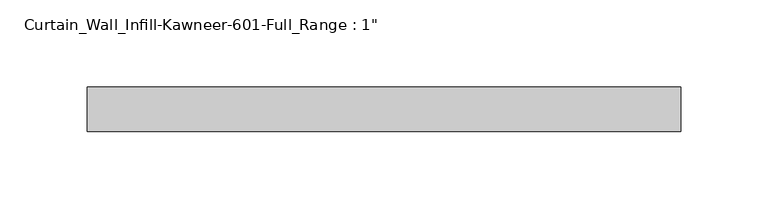
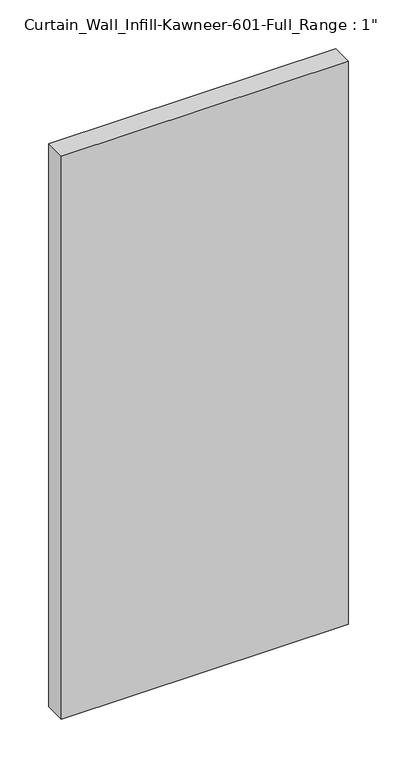
"""IFC4 building model written with IfcOpenShell, lengths in millimetres: plate geometry."""

import ifcopenshell
import ifcopenshell.guid

model = None  # the IFC model being written
_history = None  # IfcOwnerHistory: only IFC2X3 demands one
_inside = {}  # id of a spatial element -> (the spatial element, [elements in it])
_under = {}  # id of a project, library or spatial element -> (it, [spatial elements below it])
_declared = {}  # id of a project -> (the project, [libraries it declares])
_typed = {}  # id of a type object -> (the type object, [elements of that type])
_made_of = {}  # id of a material, layer set ... -> (it, [elements and type objects made of it])


def new_model(schema):
    """Start an empty IFC model of exactly this schema.

    Asked for "IFC4X3", IfcOpenShell would pick the latest addendum, in which some entities
    have other attributes; the version numbers below select the first issue.
    IFC2X3 requires an IfcOwnerHistory on every rooted entity: one is made here for all.
    """
    global model, _history
    if schema == "IFC4X3":
        model = ifcopenshell.file(schema_version=(4, 3, 0, 0))
    else:
        model = ifcopenshell.file(schema=schema)
    _inside.clear()
    _under.clear()
    _declared.clear()
    _typed.clear()
    _made_of.clear()
    _history = None
    if model.schema == "IFC2X3":
        org = make("IfcOrganization", Name="unknown")
        user = make(
            "IfcPersonAndOrganization",
            ThePerson=make("IfcPerson", FamilyName="unknown"),
            TheOrganization=org,
        )
        app = make(
            "IfcApplication",
            ApplicationDeveloper=org,
            Version="unknown",
            ApplicationFullName="unknown",
            ApplicationIdentifier="unknown",
        )
        _history = make(
            "IfcOwnerHistory",
            OwningUser=user,
            OwningApplication=app,
            ChangeAction="ADDED",
            CreationDate=0,
        )
    return model


def make(cls, **values):
    """One entity of the class cls with the attributes given. An attribute that is None is left unset."""
    return model.create_entity(
        cls, **{name: value for name, value in values.items() if value is not None}
    )


def rooted(cls, **values):
    """An entity with a GlobalId (a new one), such as an element, a storey or a relation."""
    return make(cls, GlobalId=ifcopenshell.guid.new(), OwnerHistory=_history, **values)


def si_unit(unit_type, name, prefix=None):
    """IfcSIUnit, for example si_unit("LENGTHUNIT", "METRE", prefix="MILLI")."""
    return make("IfcSIUnit", UnitType=unit_type, Prefix=prefix, Name=name)


def assignment(units):
    """IfcUnitAssignment: the units of a project."""
    return None if units is None else make("IfcUnitAssignment", Units=units)


def point(xyz):
    """IfcCartesianPoint."""
    return None if xyz is None else make("IfcCartesianPoint", Coordinates=xyz)


def direction(xyz):
    """IfcDirection."""
    return None if xyz is None else make("IfcDirection", DirectionRatios=xyz)


def frame(location, z_axis=None, x_axis=None):
    """IfcAxis2Placement3D, a coordinate frame: its origin and axes. An axis left out is left unset."""
    return make(
        "IfcAxis2Placement3D",
        Location=point(location),
        Axis=direction(z_axis),
        RefDirection=direction(x_axis),
    )


def origin():
    """The frame at (0, 0, 0) with its axes left unset."""
    return frame((0.0, 0.0, 0.0))


def origin_with_axes():
    """The frame at (0, 0, 0) with the z axis (0, 0, 1) and the x axis (1, 0, 0) written out."""
    return frame((0.0, 0.0, 0.0), z_axis=(0.0, 0.0, 1.0), x_axis=(1.0, 0.0, 0.0))


def place(relative_to, where):
    """IfcLocalPlacement: puts the frame where relative to a parent placement (None: the world)."""
    return make(
        "IfcLocalPlacement", PlacementRelTo=relative_to, RelativePlacement=where
    )


def context(
    kind, dimensions, precision=None, world=None, true_north=None, identifier=None
):
    """IfcGeometricRepresentationContext, for example the 3D "Model" context."""
    return make(
        "IfcGeometricRepresentationContext",
        ContextIdentifier=identifier,
        ContextType=kind,
        CoordinateSpaceDimension=dimensions,
        Precision=precision,
        WorldCoordinateSystem=world,
        TrueNorth=true_north,
    )


def project(units=None, contexts=None):
    """IfcProject with its units and contexts."""
    return rooted(
        "IfcProject",
        Name="project",
        RepresentationContexts=contexts,
        UnitsInContext=assignment(units),
    )


def spatial(cls, under=None, at=None, **own):
    """A site, building, storey or space (cls), placed at a placement, below another one or the project."""
    s = rooted(cls, ObjectPlacement=at, **own)
    if under is not None:
        _under.setdefault(under.id(), (under, []))[1].append(s)
    return s


def polyline(points):
    """IfcPolyline through the points."""
    return make("IfcPolyline", Points=[point(p) for p in points])


def outline(outer, holes=None, kind="AREA"):
    """IfcArbitraryClosedProfileDef: a profile drawn as a closed curve; with holes, ...WithVoids."""
    if holes is None:
        return make("IfcArbitraryClosedProfileDef", ProfileType=kind, OuterCurve=outer)
    return make(
        "IfcArbitraryProfileDefWithVoids",
        ProfileType=kind,
        OuterCurve=outer,
        InnerCurves=holes,
    )


def extrude(swept, where, along, depth):
    """IfcExtrudedAreaSolid: the profile swept, set in the frame where, extruded along a direction by depth."""
    return make(
        "IfcExtrudedAreaSolid",
        SweptArea=swept,
        Position=where,
        ExtrudedDirection=direction(along),
        Depth=depth,
    )


def shape(context_of_items, identifier, shape_type, items):
    """IfcShapeRepresentation: the items that make up one representation, for example the "Body"."""
    return make(
        "IfcShapeRepresentation",
        ContextOfItems=context_of_items,
        RepresentationIdentifier=identifier,
        RepresentationType=shape_type,
        Items=items,
    )


def source(mapping_origin, context_of_items, identifier, shape_type, items):
    """IfcRepresentationMap: a shape defined once, which mapped items show again and again."""
    return make(
        "IfcRepresentationMap",
        MappingOrigin=mapping_origin,
        MappedRepresentation=shape(context_of_items, identifier, shape_type, items),
    )


def transform(
    local_origin,
    x_axis=None,
    y_axis=None,
    z_axis=None,
    scale=None,
    scale2=None,
    scale3=None,
    uniform=True,
):
    """IfcCartesianTransformationOperator3D, or its non-uniform kind. x_axis, y_axis, z_axis: its Axis1, 2, 3."""
    if uniform:
        return make(
            "IfcCartesianTransformationOperator3D",
            Axis1=direction(x_axis),
            Axis2=direction(y_axis),
            LocalOrigin=point(local_origin),
            Scale=scale,
            Axis3=direction(z_axis),
        )
    return make(
        "IfcCartesianTransformationOperator3DnonUniform",
        Axis1=direction(x_axis),
        Axis2=direction(y_axis),
        LocalOrigin=point(local_origin),
        Scale=scale,
        Axis3=direction(z_axis),
        Scale2=scale2,
        Scale3=scale3,
    )


def mapped(mapping_source, mapping_target):
    """IfcMappedItem: shows the shape of a source again, moved by a transform."""
    return make(
        "IfcMappedItem", MappingSource=mapping_source, MappingTarget=mapping_target
    )


def made_of(thing, what):
    """Note that an element or type object is made of a material, layer set ...; save() writes the relation."""
    if what is not None:
        _made_of.setdefault(what.id(), (what, []))[1].append(thing)
    return thing


def element(
    cls,
    number,
    at=None,
    inside=None,
    cuts=None,
    type_object=None,
    material=None,
    context=None,
    identifier="Body",
    shape_type=None,
    held_by="IfcProductDefinitionShape",
    body=None,
    shapes=None,
    **own,
):
    """One element of the class cls, such as IfcWall. Its Tag is "e" and its number.

    at: its placement. inside: the storey or other place that contains it. cuts: it is an
    opening in that element (IfcRelVoidsElement). A single representation is given by context,
    identifier, shape_type and body (its items); several are given by shapes. held_by: the class
    of the entity that holds the representations. save() writes the other relations.
    """
    e = rooted(cls, Tag="e%d" % number, ObjectPlacement=at, **own)
    if body is not None:
        shapes = [shape(context, identifier, shape_type, body)]
    if shapes is not None:
        e.Representation = make(held_by, Representations=shapes)
    if inside is not None:
        _inside.setdefault(inside.id(), (inside, []))[1].append(e)
    if cuts is not None:
        rooted(
            "IfcRelVoidsElement", RelatingBuildingElement=cuts, RelatedOpeningElement=e
        )
    if type_object is not None:
        _typed.setdefault(type_object.id(), (type_object, []))[1].append(e)
    return made_of(e, material)


def aggregate(whole, parts):
    """IfcRelAggregates: a whole, such as a stair, and the parts it consists of."""
    return rooted("IfcRelAggregates", RelatingObject=whole, RelatedObjects=parts)


def save(model, path):
    """Write the relations noted so far, then the file.

    IfcRelAggregates (storeys below a building ...), IfcRelContainedInSpatialStructure (elements
    in a storey), IfcRelDefinesByType, IfcRelAssociatesMaterial and IfcRelDeclares: one each for
    every whole, place, type object, material and project.
    """
    for whole, parts in _under.values():
        aggregate(whole, parts)
    for where, things in _inside.values():
        rooted(
            "IfcRelContainedInSpatialStructure",
            RelatedElements=things,
            RelatingStructure=where,
        )
    for kind, things in _typed.values():
        rooted("IfcRelDefinesByType", RelatedObjects=things, RelatingType=kind)
    for what, things in _made_of.values():
        rooted("IfcRelAssociatesMaterial", RelatedObjects=things, RelatingMaterial=what)
    for by, libraries in _declared.values():
        rooted("IfcRelDeclares", RelatingContext=by, RelatedDefinitions=libraries)
    model.write(path)


def plate_c51c636b(model_context):
    return source(origin(), model_context, "Body", "SweptSolid", [
        extrude(outline(polyline([(-169.8625, -12.7), (-169.8625, 12.7), (169.8625, 12.7), (169.8625, -12.7), (-169.8625, -12.7)])), origin_with_axes(), (0.0, 0.0, 1.0), 704.85),
    ])


if __name__ == "__main__":
    model = new_model("IFC4")
    model_context = context("Model", 3, world=origin())
    ifc_project = project(units=[si_unit("LENGTHUNIT", "METRE", prefix="MILLI")], contexts=[model_context])
    site = spatial("IfcSite", under=ifc_project)
    building = spatial("IfcBuilding", under=site)
    placement = place(None, origin())
    plate_shape = plate_c51c636b(model_context)
    element("IfcPlate", 1, ObjectType="Curtain_Wall_Infill-Kawneer-601-Full_Range : 1\"", at=placement, inside=building, context=model_context, shape_type="MappedRepresentation", body=[
        mapped(plate_shape, transform((0.0, 0.0, 0.0), x_axis=(1.0, 0.0, 0.0), y_axis=(0.0, 1.0, 0.0), z_axis=(0.0, 0.0, 1.0))),
    ])
    save(model, "model.ifc")
